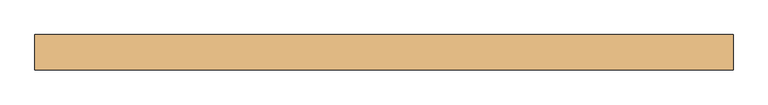
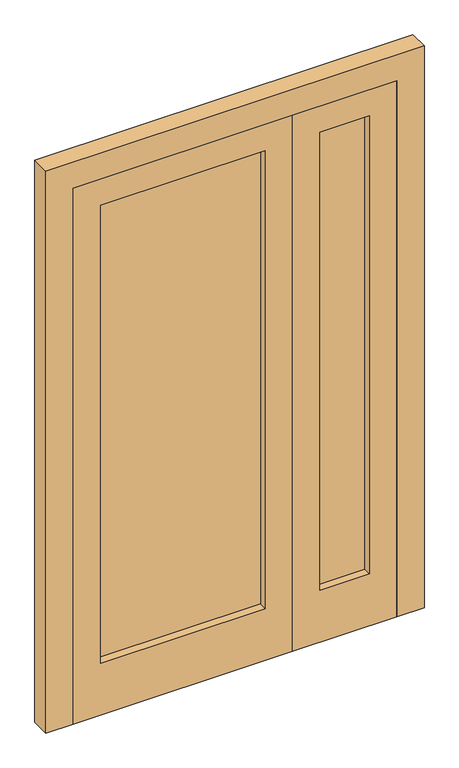
"""IFC4 building model written with IfcOpenShell, lengths in millimetres: door geometry."""

from ifc_helpers import new_model, si_unit, frame, origin, place, context, project, spatial, polyline, outline, extrude, source, transform, mapped, element, save


def door_2dab296f(model_context):
    return source(origin(), model_context, "Body", "SweptSolid", [
        extrude(outline(polyline([(490.0, 5.0), (490.0, -5.0), (310.0, -5.0), (310.0, 5.0), (490.0, 5.0)])), frame((0.0, 0.0, 200.0), z_axis=(0.0, 0.0, 1.0), x_axis=(1.0, 0.0, 0.0)), (0.0, 0.0, 1.0), 1765.0),
        extrude(outline(polyline([(0.0, 590.0), (2065.0, 590.0), (2065.0, 210.0), (0.0, 210.0), (0.0, 590.0)]), holes=[polyline([(1965.0, 490.0), (200.0, 490.0), (200.0, 310.0), (1965.0, 310.0), (1965.0, 490.0)])]), frame((0.0, -35.0, 0.0), z_axis=(0.0, 1.0, 0.0), x_axis=(0.0, 0.0, 1.0)), (0.0, 0.0, 1.0), 70.0),
        extrude(outline(polyline([(-490.0, 5.0), (110.0, 5.0), (110.0, -5.0), (-490.0, -5.0), (-490.0, 5.0)])), frame((0.0, 0.0, 200.0), z_axis=(0.0, 0.0, 1.0), x_axis=(1.0, 0.0, 0.0)), (0.0, 0.0, 1.0), 1765.0),
        extrude(outline(polyline([(0.0, -590.0), (0.0, 210.0), (2065.0, 210.0), (2065.0, -590.0), (0.0, -590.0)]), holes=[polyline([(1965.0, -490.0), (1965.0, 110.0), (200.0, 110.0), (200.0, -490.0), (1965.0, -490.0)])]), frame((0.0, -35.0, 0.0), z_axis=(0.0, 1.0, 0.0), x_axis=(0.0, 0.0, 1.0)), (0.0, 0.0, 1.0), 70.0),
        extrude(outline(polyline([(2165.0, 690.0), (2165.0, -690.0), (0.0, -690.0), (0.0, -590.0), (2065.0, -590.0), (2065.0, 590.0), (0.0, 590.0), (0.0, 690.0), (2165.0, 690.0)])), frame((0.0, -35.0, 0.0), z_axis=(0.0, 1.0, 0.0), x_axis=(0.0, 0.0, 1.0)), (0.0, 0.0, 1.0), 70.0),
    ])


if __name__ == "__main__":
    model = new_model("IFC4")
    model_context = context("Model", 3, world=origin())
    ifc_project = project(units=[si_unit("LENGTHUNIT", "METRE", prefix="MILLI")], contexts=[model_context])
    site = spatial("IfcSite", under=ifc_project)
    building = spatial("IfcBuilding", under=site)
    placement = place(None, origin())
    door_shape = door_2dab296f(model_context)
    element("IfcDoor", 1, at=placement, inside=building, context=model_context, shape_type="MappedRepresentation", body=[
        mapped(door_shape, transform((0.0, 0.0, 0.0), x_axis=(1.0, 0.0, 0.0), y_axis=(0.0, 1.0, 0.0), z_axis=(0.0, 0.0, 1.0))),
    ])
    save(model, "model.ifc")
